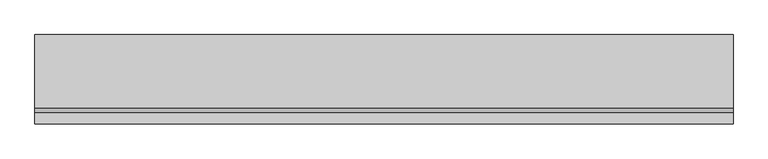
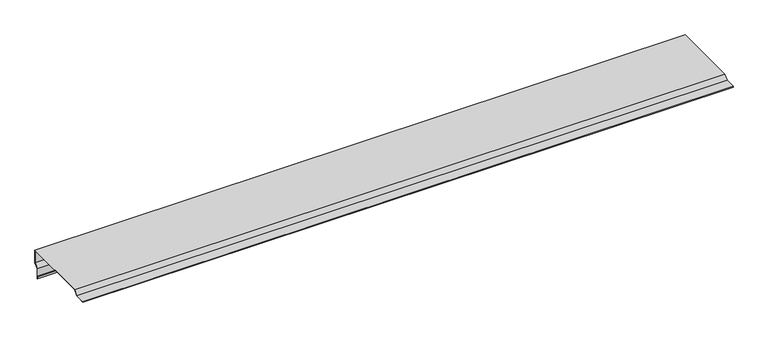
"""IFC4 building model written with IfcOpenShell, lengths in millimetres: proxy geometry."""

from ifc_helpers import new_model, si_unit, frame, origin, place, context, project, spatial, polyline, outline, extrude, source, transform, mapped, element, save


def generic_models_cc59ea87(model_context):
    return source(origin(), model_context, "Body", "SweptSolid", [
        extrude(outline(polyline([(20.0, 20.0), (20.0, -31.0), (5.0, -46.0), (5.0, -86.0), (2.0, -86.0), (2.0, -76.0), (3.0, -76.0), (3.0, -85.0), (4.0, -85.0), (4.0, -45.5857864), (19.0, -30.5857864), (19.0, 19.0), (-244.5857864, 19.0), (-259.5857864, 4.0), (-299.0, 4.0), (-299.0, 3.0), (-290.0, 3.0), (-290.0, 2.0), (-300.0, 2.0), (-300.0, 5.0), (-260.0, 5.0), (-245.0, 20.0), (20.0, 20.0)])), frame((0.0, 0.0, 0.0), z_axis=(1.0, 0.0, 0.0), x_axis=(0.0, 1.0, 0.0)), (0.0, 0.0, 1.0), 2500.0),
    ])


if __name__ == "__main__":
    model = new_model("IFC4")
    model_context = context("Model", 3, world=origin())
    ifc_project = project(units=[si_unit("LENGTHUNIT", "METRE", prefix="MILLI")], contexts=[model_context])
    site = spatial("IfcSite", under=ifc_project)
    building = spatial("IfcBuilding", under=site)
    placement = place(None, origin())
    generic_models_shape = generic_models_cc59ea87(model_context)
    element("IfcBuildingElementProxy", 1, Name="Generic Models", at=placement, inside=building, context=model_context, shape_type="MappedRepresentation", body=[
        mapped(generic_models_shape, transform((0.0, 0.0, 0.0), x_axis=(1.0, 0.0, 0.0), y_axis=(0.0, 1.0, 0.0), z_axis=(0.0, 0.0, 1.0))),
    ])
    save(model, "model.ifc")
